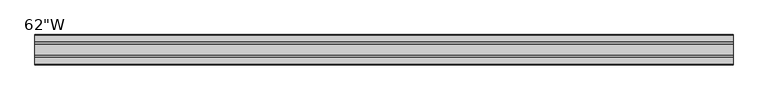
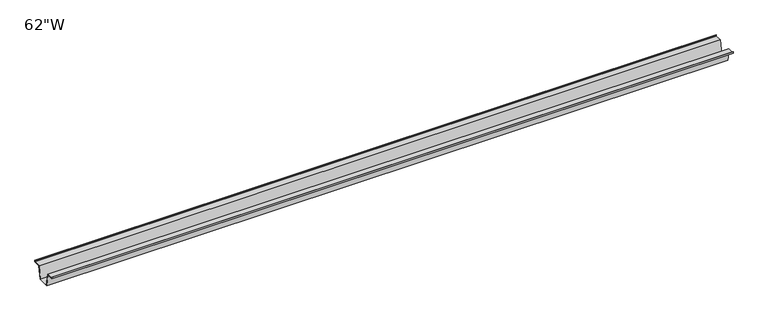
"""IFC4 building model written with IfcOpenShell, lengths in millimetres: furniture geometry."""

from ifc_helpers import new_model, si_unit, frame, origin, place, context, project, spatial, polyline, outline, extrude, source, transform, mapped, element, save


def furniture_5d370c3a(model_context):
    return source(origin(), model_context, "Body", "SweptSolid", [
        extrude(outline(polyline([(-22.9397721, 701.675), (-28.502372, 671.4490007), (-53.9023728, 671.4490007), (-59.4649727, 701.675), (-75.3653716, 701.675), (-75.3653716, 704.85), (-74.5716216, 704.85), (-74.5716216, 702.46875), (-58.8172994, 702.46875), (-53.2546995, 672.2427507), (-29.1500453, 672.2427507), (-23.5874454, 702.46875), (-7.8331232, 702.46875), (-7.8331232, 704.85), (-7.0393732, 704.85), (-7.0393732, 701.675), (-22.9397721, 701.675)])), frame((-788.67, 0.0, 0.0), z_axis=(1.0, 0.0, 0.0), x_axis=(0.0, 1.0, 0.0)), (0.0, 0.0, 1.0), 1577.34),
    ])


if __name__ == "__main__":
    model = new_model("IFC4")
    model_context = context("Model", 3, world=origin())
    ifc_project = project(units=[si_unit("LENGTHUNIT", "METRE", prefix="MILLI")], contexts=[model_context])
    site = spatial("IfcSite", under=ifc_project)
    building = spatial("IfcBuilding", under=site)
    placement = place(None, origin())
    furniture_shape = furniture_5d370c3a(model_context)
    element("IfcFurniture", 1, ObjectType="62\"W", at=placement, inside=building, context=model_context, shape_type="MappedRepresentation", body=[
        mapped(furniture_shape, transform((0.0, 0.0, 0.0), x_axis=(1.0, 0.0, 0.0), y_axis=(0.0, 1.0, 0.0), z_axis=(0.0, 0.0, 1.0))),
    ])
    save(model, "model.ifc")
